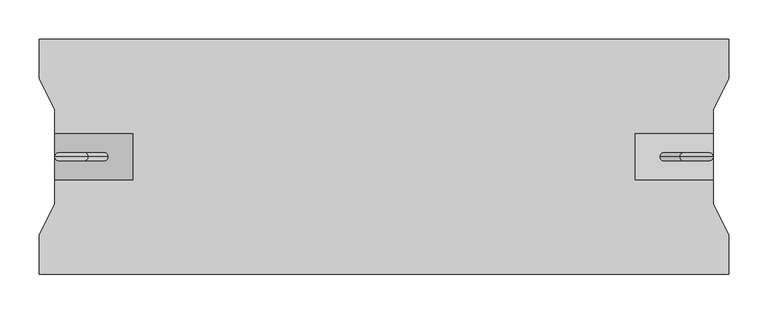
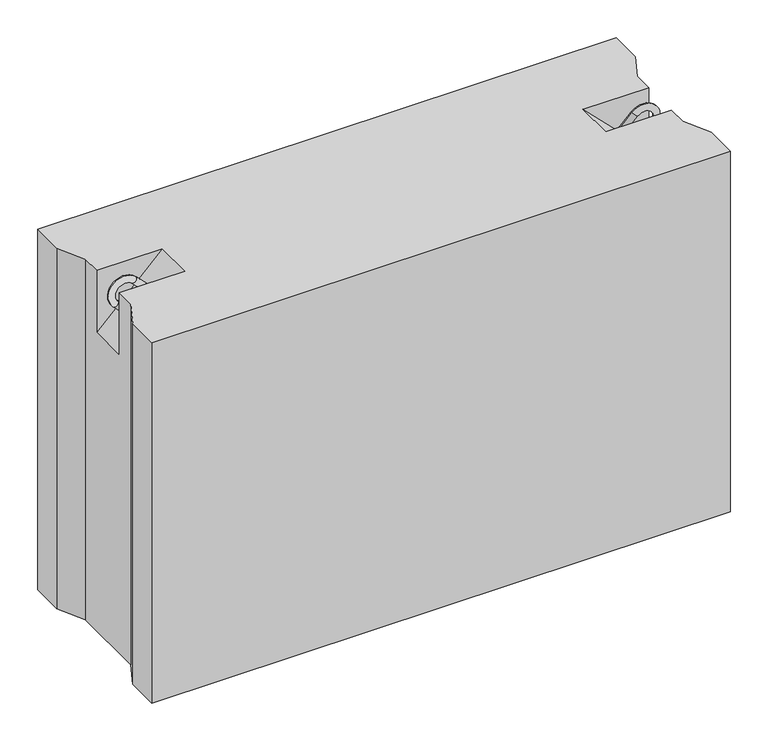
"""IFC4 building model written with IfcOpenShell, lengths in millimetres: proxy geometry."""

from ifc_helpers import new_model, si_unit, point, frame, origin, place, context, project, spatial, circle_curve, ellipse_curve, trimmed, faceted_brep, source, transform, mapped, element, save
from ifc_brep_helpers import plane_surface, cylinder_surface, revolved_surface, advanced_brep


def generic_models_0d8888be(model_context):
    return source(origin(), model_context, "Body", "SolidModel", [
        advanced_brep(
        [(792.3223305, 0.0, 547.6776695), (799.3933983, 0.0, 540.6066017), (824.3933983, 0.0, 565.6066017), (817.3223305, 0.0, 572.6776695), (845.6066017, 0.0, 544.3933983), (852.6776695, 0.0, 537.3223305), (827.6776695, 0.0, 512.3223305), (820.6066017, 0.0, 519.3933983)],
        [
            (0, 1, circle_curve(frame((795.8578644, 0.0, 544.1421356), z_axis=(-0.7071067811865482, 0.0, -0.7071067811865468), x_axis=(0.7071067811865468, 0.0, -0.7071067811865482)), 5.0)),
            (1, 0, circle_curve(frame((795.8578644, 0.0, 544.1421356), z_axis=(-0.7071067811865482, 0.0, -0.7071067811865468), x_axis=(0.7071067811865468, 0.0, -0.7071067811865482)), 5.0)),
            (1, 2),
            (2, 3, circle_curve(frame((820.8578644, 0.0, 569.1421356), z_axis=(-0.7071067811865482, 0.0, -0.7071067811865468), x_axis=(0.7071067811865468, 0.0, -0.7071067811865482)), 5.0)),
            (3, 0),
            (3, 2, circle_curve(frame((820.8578644, 0.0, 569.1421356), z_axis=(-0.7071067811865482, 0.0, -0.7071067811865468), x_axis=(0.7071067811865468, 0.0, -0.7071067811865482)), 5.0)),
            (4, 5, circle_curve(frame((849.1421356, 0.0, 540.8578644), z_axis=(0.7071067811865457, 0.0, 0.7071067811865493), x_axis=(-0.7071067811865493, 0.0, 0.7071067811865457)), 5.0)),
            (5, 3, circle_curve(frame((835.0, 0.0, 555.0), z_axis=(0.0, -1.0, 0.0), x_axis=(-0.7071067811865468, 0.0, 0.7071067811865482)), 25.0)),
            (2, 4, circle_curve(frame((835.0, 0.0, 555.0), z_axis=(0.0, 1.0, 0.0), x_axis=(-0.7071067811865468, 0.0, 0.7071067811865482)), 15.0)),
            (5, 4, circle_curve(frame((849.1421356, 0.0, 540.8578644), z_axis=(0.7071067811865459, 0.0, 0.7071067811865491), x_axis=(-0.7071067811865491, 0.0, 0.7071067811865459)), 5.0)),
            (6, 7, circle_curve(frame((824.1421356, 0.0, 515.8578644), z_axis=(-0.7071067811865505, 0.0, -0.7071067811865446), x_axis=(-0.7071067811865446, 0.0, 0.7071067811865505)), 5.0)),
            (7, 6, circle_curve(frame((824.1421356, 0.0, 515.8578644), z_axis=(-0.7071067811865505, 0.0, -0.7071067811865446), x_axis=(-0.7071067811865446, 0.0, 0.7071067811865505)), 5.0)),
            (4, 7),
            (6, 5),
        ],
        [
            plane_surface(frame((792.3223305, 0.0, 547.6776695), z_axis=(-0.7071067811865482, 0.0, -0.7071067811865468), x_axis=(0.0, -1.0, 0.0))),
            cylinder_surface(frame((795.8578644, 0.0, 544.1421356), z_axis=(-0.7071067811865482, 0.0, -0.7071067811865468), x_axis=(0.7071067811865468, 0.0, -0.7071067811865482)), 5.0),
            revolved_surface(trimmed(ellipse_curve(frame((820.8578644, 0.0, 569.1421356), z_axis=(0.7071067811865482, 0.0, 0.7071067811865468), x_axis=(0.7071067811865468, 0.0, -0.7071067811865482)), 5.0, 5.0), [point((817.3223305, 0.0, 572.6776695))], [point((824.3933983, 0.0, 565.6066017))], True, "CARTESIAN"), (835.0, 0.0, 555.0), (0.0, -1.0, 0.0)),
            revolved_surface(trimmed(ellipse_curve(frame((820.8578644, 0.0, 569.1421356), z_axis=(0.7071067811865482, 0.0, 0.7071067811865468), x_axis=(0.7071067811865468, 0.0, -0.7071067811865482)), 5.0, 5.0), [point((824.3933983, 0.0, 565.6066017))], [point((817.3223305, 0.0, 572.6776695))], True, "CARTESIAN"), (835.0, 0.0, 555.0), (0.0, -1.0, 0.0)),
            plane_surface(frame((827.6776695, 0.0, 512.3223305), z_axis=(-0.7071067811865505, 0.0, -0.7071067811865446), x_axis=(0.0, -1.0, 0.0))),
            cylinder_surface(frame((849.1421356, 0.0, 540.8578644), z_axis=(0.7071067811865505, 0.0, 0.7071067811865446), x_axis=(-0.7071067811865446, 0.0, 0.7071067811865505)), 5.0),
        ],
        [
            (0, [[1, 2]]),
            (1, [[3, 4, 5, -2]]),
            (1, [[-5, 6, -3, -1]]),
            (2, [[7, 8, -4, 9]]),
            (3, [[10, -9, -6, -8]]),
            (4, [[11, 12]]),
            (5, [[13, -11, 14, -7]]),
            (5, [[-14, -12, -13, -10]]),
        ],
    ),
        advanced_brep(
        [(87.6776695, 0.0, 547.6776695), (80.6066017, 0.0, 540.6066017), (62.6776695, 0.0, 572.6776695), (55.6066017, 0.0, 565.6066017), (34.3933983, 0.0, 544.3933983), (27.3223305, 0.0, 537.3223305), (52.3223305, 0.0, 512.3223305), (59.3933983, 0.0, 519.3933983)],
        [
            (0, 1, circle_curve(frame((84.1421356, 0.0, 544.1421356), z_axis=(0.707106781186546, 0.0, -0.707106781186549), x_axis=(-0.707106781186549, 0.0, -0.707106781186546)), 5.0)),
            (1, 0, circle_curve(frame((84.1421356, 0.0, 544.1421356), z_axis=(0.707106781186546, 0.0, -0.707106781186549), x_axis=(-0.707106781186549, 0.0, -0.707106781186546)), 5.0)),
            (0, 2),
            (2, 3, circle_curve(frame((59.1421356, 0.0, 569.1421356), z_axis=(0.707106781186546, 0.0, -0.707106781186549), x_axis=(-0.707106781186549, 0.0, -0.707106781186546)), 5.0)),
            (3, 1),
            (3, 2, circle_curve(frame((59.1421356, 0.0, 569.1421356), z_axis=(0.707106781186546, 0.0, -0.707106781186549), x_axis=(-0.707106781186549, 0.0, -0.707106781186546)), 5.0)),
            (4, 3, circle_curve(frame((45.0, 0.0, 555.0), z_axis=(0.0, 1.0, 0.0), x_axis=(0.707106781186549, 0.0, 0.707106781186546)), 15.0)),
            (2, 5, circle_curve(frame((45.0, 0.0, 555.0), z_axis=(0.0, -1.0, 0.0), x_axis=(0.707106781186549, 0.0, 0.707106781186546)), 25.0)),
            (5, 4, circle_curve(frame((30.8578644, 0.0, 540.8578644), z_axis=(-0.7071067811865437, 0.0, 0.7071067811865513), x_axis=(0.7071067811865513, 0.0, 0.7071067811865437)), 5.0)),
            (4, 5, circle_curve(frame((30.8578644, 0.0, 540.8578644), z_axis=(-0.7071067811865437, 0.0, 0.7071067811865513), x_axis=(0.7071067811865513, 0.0, 0.7071067811865437)), 5.0)),
            (6, 7, circle_curve(frame((55.8578644, 0.0, 515.8578644), z_axis=(0.7071067811865482, 0.0, -0.7071067811865468), x_axis=(0.7071067811865468, 0.0, 0.7071067811865482)), 5.0)),
            (7, 6, circle_curve(frame((55.8578644, 0.0, 515.8578644), z_axis=(0.7071067811865482, 0.0, -0.7071067811865468), x_axis=(0.7071067811865468, 0.0, 0.7071067811865482)), 5.0)),
            (5, 6),
            (7, 4),
        ],
        [
            plane_surface(frame((87.6776695, 0.0, 547.6776695), z_axis=(0.707106781186546, 0.0, -0.707106781186549), x_axis=(0.0, -1.0, 0.0))),
            cylinder_surface(frame((84.1421356, 0.0, 544.1421356), z_axis=(0.707106781186546, 0.0, -0.707106781186549), x_axis=(-0.707106781186549, 0.0, -0.707106781186546)), 5.0),
            revolved_surface(trimmed(ellipse_curve(frame((59.1421356, 0.0, 569.1421356), z_axis=(0.707106781186546, 0.0, -0.707106781186549), x_axis=(-0.707106781186549, 0.0, -0.707106781186546)), 5.0, 5.0), [point((62.6776695, 0.0, 572.6776695))], [point((55.6066017, 0.0, 565.6066017))], True, "CARTESIAN"), (45.0, 0.0, 555.0), (0.0, -1.0, 0.0)),
            revolved_surface(trimmed(ellipse_curve(frame((59.1421356, 0.0, 569.1421356), z_axis=(0.707106781186546, 0.0, -0.707106781186549), x_axis=(-0.707106781186549, 0.0, -0.707106781186546)), 5.0, 5.0), [point((55.6066017, 0.0, 565.6066017))], [point((62.6776695, 0.0, 572.6776695))], True, "CARTESIAN"), (45.0, 0.0, 555.0), (0.0, -1.0, 0.0)),
            plane_surface(frame((52.3223305, 0.0, 512.3223305), z_axis=(0.7071067811865482, 0.0, -0.7071067811865468), x_axis=(0.0, -1.0, 0.0))),
            cylinder_surface(frame((30.8578644, 0.0, 540.8578644), z_axis=(-0.7071067811865482, 0.0, 0.7071067811865468), x_axis=(0.7071067811865468, 0.0, 0.7071067811865482)), 5.0),
        ],
        [
            (0, [[1, 2]]),
            (1, [[-1, 3, 4, 5]]),
            (1, [[-2, -5, 6, -3]]),
            (2, [[7, -4, 8, 9]]),
            (3, [[-8, -6, -7, 10]]),
            (4, [[11, 12]]),
            (5, [[-9, 13, -12, 14]]),
            (5, [[-10, -14, -11, -13]]),
        ],
    ),
        faceted_brep([(880.0, 150.0, 580.0), (0.0, 150.0, 580.0), (0.0, 100.0, 580.0), (20.0, 60.0, 580.0), (20.0, 30.0, 580.0), (120.0, 30.0, 580.0), (120.0, -30.0, 580.0), (20.0, -30.0, 580.0), (20.0, -60.0, 580.0), (0.0, -100.0, 580.0), (0.0, -150.0, 580.0), (880.0, -150.0, 580.0), (880.0, -100.0, 580.0), (860.0, -60.0, 580.0), (860.0, -30.0, 580.0), (760.0, -30.0, 580.0), (760.0, 30.0, 580.0), (860.0, 30.0, 580.0), (860.0, 60.0, 580.0), (880.0, 100.0, 580.0), (880.0, 150.0, 0.0), (880.0, 100.0, 0.0), (860.0, 60.0, 0.0), (860.0, -60.0, 0.0), (880.0, -100.0, 0.0), (880.0, -150.0, 0.0), (0.0, -150.0, 0.0), (0.0, -100.0, 0.0), (20.0, -60.0, 0.0), (20.0, 60.0, 0.0), (0.0, 100.0, 0.0), (0.0, 150.0, 0.0), (20.0, -30.0, 480.0), (20.0, 30.0, 480.0), (860.0, 30.0, 480.0), (860.0, -30.0, 480.0)], [[[0, 1, 2, 3, 4, 5, 6, 7, 8, 9, 10, 11, 12, 13, 14, 15, 16, 17, 18, 19]], [[20, 21, 22, 23, 24, 25, 26, 27, 28, 29, 30, 31]], [[1, 0, 20, 31]], [[10, 9, 27, 26]], [[11, 10, 26, 25]], [[0, 19, 21, 20]], [[2, 1, 31, 30]], [[3, 2, 30, 29]], [[29, 28, 8, 7, 32, 33, 4, 3]], [[9, 8, 28, 27]], [[12, 11, 25, 24]], [[13, 12, 24, 23]], [[23, 22, 18, 17, 34, 35, 14, 13]], [[19, 18, 22, 21]], [[6, 32, 7]], [[35, 15, 14]], [[33, 5, 4]], [[16, 34, 17]], [[32, 6, 5, 33]], [[15, 35, 34, 16]]]),
    ])


if __name__ == "__main__":
    model = new_model("IFC4")
    model_context = context("Model", 3, world=origin())
    ifc_project = project(units=[si_unit("LENGTHUNIT", "METRE", prefix="MILLI")], contexts=[model_context])
    site = spatial("IfcSite", under=ifc_project)
    building = spatial("IfcBuilding", under=site)
    placement = place(None, origin())
    generic_models_shape = generic_models_0d8888be(model_context)
    element("IfcBuildingElementProxy", 1, Name="Generic Models", at=placement, inside=building, context=model_context, shape_type="MappedRepresentation", body=[
        mapped(generic_models_shape, transform((0.0, 0.0, 0.0), x_axis=(1.0, 0.0, 0.0), y_axis=(0.0, 1.0, 0.0), z_axis=(0.0, 0.0, 1.0))),
    ])
    save(model, "model.ifc")
